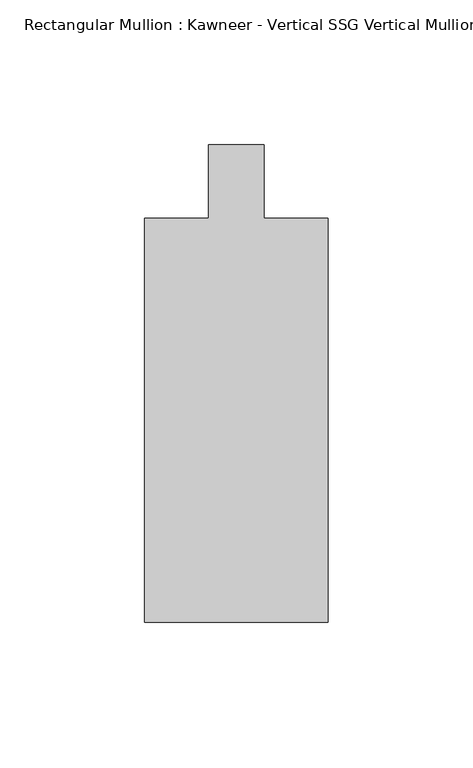
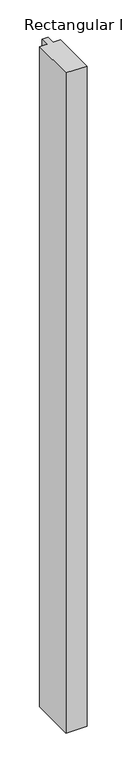
"""IFC4 building model written with IfcOpenShell, lengths in millimetres: member geometry."""

from ifc_helpers import new_model, si_unit, frame, origin, place, context, project, spatial, polyline, outline, extrude, source, transform, mapped, element, save


def member_309d18bf(model_context):
    return source(origin(), model_context, "Body", "SweptSolid", [
        extrude(outline(polyline([(-31.75, -12.7), (-9.5251132, -12.7), (-9.5251132, 12.7), (9.5251132, 12.7), (9.5251132, -12.7), (31.75, -12.7), (31.75, -152.399995), (-31.75, -152.399995), (-31.75, -12.7)])), frame((0.0, 0.0, -2123.9676486), z_axis=(0.0, 0.0, 1.0), x_axis=(1.0, 0.0, 0.0)), (0.0, 0.0, 1.0), 2123.9676486),
    ])


if __name__ == "__main__":
    model = new_model("IFC4")
    model_context = context("Model", 3, world=origin())
    ifc_project = project(units=[si_unit("LENGTHUNIT", "METRE", prefix="MILLI")], contexts=[model_context])
    site = spatial("IfcSite", under=ifc_project)
    building = spatial("IfcBuilding", under=site)
    placement = place(None, origin())
    member_shape = member_309d18bf(model_context)
    element("IfcMember", 1, ObjectType="Rectangular Mullion : Kawneer - Vertical SSG Vertical Mullion - 7 1/2\"", at=placement, inside=building, context=model_context, shape_type="MappedRepresentation", body=[
        mapped(member_shape, transform((0.0, 0.0, 0.0), x_axis=(1.0, 0.0, 0.0), y_axis=(0.0, 1.0, 0.0), z_axis=(0.0, 0.0, 1.0))),
    ])
    save(model, "model.ifc")
